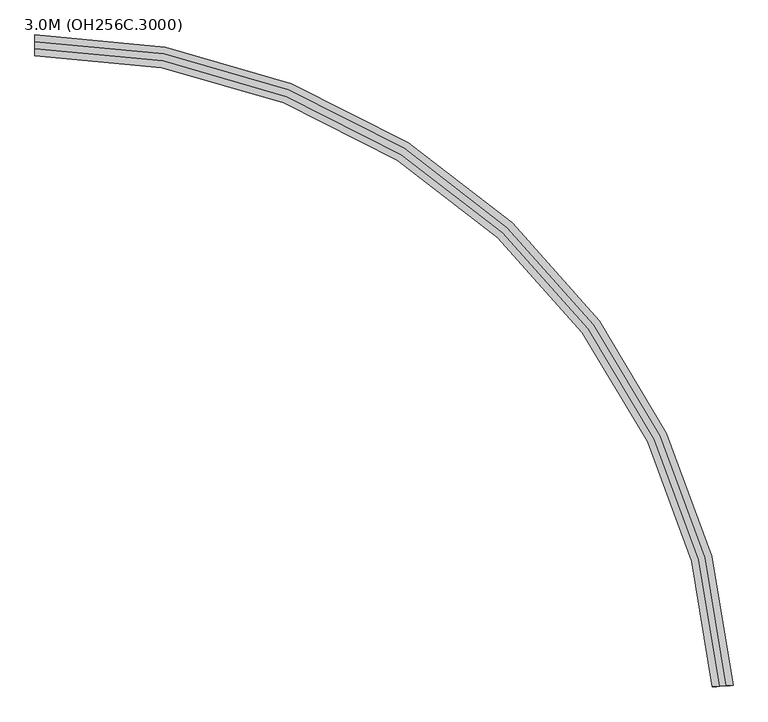
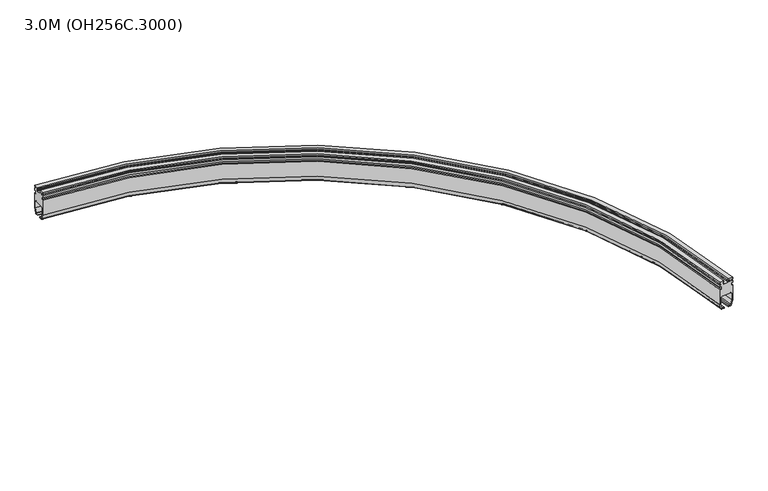
"""IFC4 building model written with IfcOpenShell, lengths in millimetres: proxy geometry, 3.0M (OH256C.3000)."""

import ifcopenshell
import ifcopenshell.guid

model = None  # the IFC model being written
_history = None  # IfcOwnerHistory: only IFC2X3 demands one
_inside = {}  # id of a spatial element -> (the spatial element, [elements in it])
_under = {}  # id of a project, library or spatial element -> (it, [spatial elements below it])
_declared = {}  # id of a project -> (the project, [libraries it declares])
_typed = {}  # id of a type object -> (the type object, [elements of that type])
_made_of = {}  # id of a material, layer set ... -> (it, [elements and type objects made of it])


def new_model(schema):
    """Start an empty IFC model of exactly this schema.

    Asked for "IFC4X3", IfcOpenShell would pick the latest addendum, in which some entities
    have other attributes; the version numbers below select the first issue.
    IFC2X3 requires an IfcOwnerHistory on every rooted entity: one is made here for all.
    """
    global model, _history
    if schema == "IFC4X3":
        model = ifcopenshell.file(schema_version=(4, 3, 0, 0))
    else:
        model = ifcopenshell.file(schema=schema)
    _inside.clear()
    _under.clear()
    _declared.clear()
    _typed.clear()
    _made_of.clear()
    _history = None
    if model.schema == "IFC2X3":
        org = make("IfcOrganization", Name="unknown")
        user = make(
            "IfcPersonAndOrganization",
            ThePerson=make("IfcPerson", FamilyName="unknown"),
            TheOrganization=org,
        )
        app = make(
            "IfcApplication",
            ApplicationDeveloper=org,
            Version="unknown",
            ApplicationFullName="unknown",
            ApplicationIdentifier="unknown",
        )
        _history = make(
            "IfcOwnerHistory",
            OwningUser=user,
            OwningApplication=app,
            ChangeAction="ADDED",
            CreationDate=0,
        )
    return model


def make(cls, **values):
    """One entity of the class cls with the attributes given. An attribute that is None is left unset."""
    return model.create_entity(
        cls, **{name: value for name, value in values.items() if value is not None}
    )


def rooted(cls, **values):
    """An entity with a GlobalId (a new one), such as an element, a storey or a relation."""
    return make(cls, GlobalId=ifcopenshell.guid.new(), OwnerHistory=_history, **values)


def si_unit(unit_type, name, prefix=None):
    """IfcSIUnit, for example si_unit("LENGTHUNIT", "METRE", prefix="MILLI")."""
    return make("IfcSIUnit", UnitType=unit_type, Prefix=prefix, Name=name)


def assignment(units):
    """IfcUnitAssignment: the units of a project."""
    return None if units is None else make("IfcUnitAssignment", Units=units)


def point(xyz):
    """IfcCartesianPoint."""
    return None if xyz is None else make("IfcCartesianPoint", Coordinates=xyz)


def direction(xyz):
    """IfcDirection."""
    return None if xyz is None else make("IfcDirection", DirectionRatios=xyz)


def frame(location, z_axis=None, x_axis=None):
    """IfcAxis2Placement3D, a coordinate frame: its origin and axes. An axis left out is left unset."""
    return make(
        "IfcAxis2Placement3D",
        Location=point(location),
        Axis=direction(z_axis),
        RefDirection=direction(x_axis),
    )


def origin():
    """The frame at (0, 0, 0) with its axes left unset."""
    return frame((0.0, 0.0, 0.0))


def place(relative_to, where):
    """IfcLocalPlacement: puts the frame where relative to a parent placement (None: the world)."""
    return make(
        "IfcLocalPlacement", PlacementRelTo=relative_to, RelativePlacement=where
    )


def context(
    kind, dimensions, precision=None, world=None, true_north=None, identifier=None
):
    """IfcGeometricRepresentationContext, for example the 3D "Model" context."""
    return make(
        "IfcGeometricRepresentationContext",
        ContextIdentifier=identifier,
        ContextType=kind,
        CoordinateSpaceDimension=dimensions,
        Precision=precision,
        WorldCoordinateSystem=world,
        TrueNorth=true_north,
    )


def project(units=None, contexts=None):
    """IfcProject with its units and contexts."""
    return rooted(
        "IfcProject",
        Name="project",
        RepresentationContexts=contexts,
        UnitsInContext=assignment(units),
    )


def spatial(cls, under=None, at=None, **own):
    """A site, building, storey or space (cls), placed at a placement, below another one or the project."""
    s = rooted(cls, ObjectPlacement=at, **own)
    if under is not None:
        _under.setdefault(under.id(), (under, []))[1].append(s)
    return s


def polyline(points):
    """IfcPolyline through the points."""
    return make("IfcPolyline", Points=[point(p) for p in points])


def circle_curve(where, radius):
    """IfcCircle in the frame where."""
    return make("IfcCircle", Position=where, Radius=radius)


def ellipse_curve(where, semi_axis1, semi_axis2):
    """IfcEllipse in the frame where."""
    return make(
        "IfcEllipse", Position=where, SemiAxis1=semi_axis1, SemiAxis2=semi_axis2
    )


def trimmed(basis, trim1, trim2, sense, master):
    """IfcTrimmedCurve: the piece of a basis curve between two trims."""
    return make(
        "IfcTrimmedCurve",
        BasisCurve=basis,
        Trim1=trim1,
        Trim2=trim2,
        SenseAgreement=sense,
        MasterRepresentation=master,
    )


def shape(context_of_items, identifier, shape_type, items):
    """IfcShapeRepresentation: the items that make up one representation, for example the "Body"."""
    return make(
        "IfcShapeRepresentation",
        ContextOfItems=context_of_items,
        RepresentationIdentifier=identifier,
        RepresentationType=shape_type,
        Items=items,
    )


def source(mapping_origin, context_of_items, identifier, shape_type, items):
    """IfcRepresentationMap: a shape defined once, which mapped items show again and again."""
    return make(
        "IfcRepresentationMap",
        MappingOrigin=mapping_origin,
        MappedRepresentation=shape(context_of_items, identifier, shape_type, items),
    )


def transform(
    local_origin,
    x_axis=None,
    y_axis=None,
    z_axis=None,
    scale=None,
    scale2=None,
    scale3=None,
    uniform=True,
):
    """IfcCartesianTransformationOperator3D, or its non-uniform kind. x_axis, y_axis, z_axis: its Axis1, 2, 3."""
    if uniform:
        return make(
            "IfcCartesianTransformationOperator3D",
            Axis1=direction(x_axis),
            Axis2=direction(y_axis),
            LocalOrigin=point(local_origin),
            Scale=scale,
            Axis3=direction(z_axis),
        )
    return make(
        "IfcCartesianTransformationOperator3DnonUniform",
        Axis1=direction(x_axis),
        Axis2=direction(y_axis),
        LocalOrigin=point(local_origin),
        Scale=scale,
        Axis3=direction(z_axis),
        Scale2=scale2,
        Scale3=scale3,
    )


def mapped(mapping_source, mapping_target):
    """IfcMappedItem: shows the shape of a source again, moved by a transform."""
    return make(
        "IfcMappedItem", MappingSource=mapping_source, MappingTarget=mapping_target
    )


def made_of(thing, what):
    """Note that an element or type object is made of a material, layer set ...; save() writes the relation."""
    if what is not None:
        _made_of.setdefault(what.id(), (what, []))[1].append(thing)
    return thing


def element(
    cls,
    number,
    at=None,
    inside=None,
    cuts=None,
    type_object=None,
    material=None,
    context=None,
    identifier="Body",
    shape_type=None,
    held_by="IfcProductDefinitionShape",
    body=None,
    shapes=None,
    **own,
):
    """One element of the class cls, such as IfcWall. Its Tag is "e" and its number.

    at: its placement. inside: the storey or other place that contains it. cuts: it is an
    opening in that element (IfcRelVoidsElement). A single representation is given by context,
    identifier, shape_type and body (its items); several are given by shapes. held_by: the class
    of the entity that holds the representations. save() writes the other relations.
    """
    e = rooted(cls, Tag="e%d" % number, ObjectPlacement=at, **own)
    if body is not None:
        shapes = [shape(context, identifier, shape_type, body)]
    if shapes is not None:
        e.Representation = make(held_by, Representations=shapes)
    if inside is not None:
        _inside.setdefault(inside.id(), (inside, []))[1].append(e)
    if cuts is not None:
        rooted(
            "IfcRelVoidsElement", RelatingBuildingElement=cuts, RelatedOpeningElement=e
        )
    if type_object is not None:
        _typed.setdefault(type_object.id(), (type_object, []))[1].append(e)
    return made_of(e, material)


def aggregate(whole, parts):
    """IfcRelAggregates: a whole, such as a stair, and the parts it consists of."""
    return rooted("IfcRelAggregates", RelatingObject=whole, RelatedObjects=parts)


def save(model, path):
    """Write the relations noted so far, then the file.

    IfcRelAggregates (storeys below a building ...), IfcRelContainedInSpatialStructure (elements
    in a storey), IfcRelDefinesByType, IfcRelAssociatesMaterial and IfcRelDeclares: one each for
    every whole, place, type object, material and project.
    """
    for whole, parts in _under.values():
        aggregate(whole, parts)
    for where, things in _inside.values():
        rooted(
            "IfcRelContainedInSpatialStructure",
            RelatedElements=things,
            RelatingStructure=where,
        )
    for kind, things in _typed.values():
        rooted("IfcRelDefinesByType", RelatedObjects=things, RelatingType=kind)
    for what, things in _made_of.values():
        rooted("IfcRelAssociatesMaterial", RelatedObjects=things, RelatingMaterial=what)
    for by, libraries in _declared.values():
        rooted("IfcRelDeclares", RelatingContext=by, RelatedDefinitions=libraries)
    model.write(path)


def plane_surface(at):
    """IfcPlane: the flat surface through the origin of the frame at, square to its z axis."""
    return make("IfcPlane", Position=at)


def cylinder_surface(at, radius):
    """IfcCylindricalSurface: all points at the distance radius from the z axis of the frame at."""
    return make("IfcCylindricalSurface", Position=at, Radius=radius)


def revolved_surface(curve, axis_point, axis_direction):
    """IfcSurfaceOfRevolution: the curve turned about the line through axis_point along axis_direction."""
    return make(
        "IfcSurfaceOfRevolution",
        SweptCurve=make("IfcArbitraryOpenProfileDef", ProfileType="CURVE", Curve=curve),
        AxisPosition=make("IfcAxis1Placement", Location=point(axis_point), Axis=direction(axis_direction)),
    )


def advanced_brep(points, edges, surfaces, faces):
    """IfcAdvancedBrep: a solid bounded by faces that lie on surfaces and meet in shared edges.

    An edge is (start, end): straight between two places in points (the first is 0);
    or (start, end, curve); or (start, end, curve, False) where it runs against its curve.
    A face is (place in surfaces, loops), or (place, loops, False) where it looks against
    its surface's normal. A loop lists edges by number (the first is 1), with a minus sign
    where the edge is run from its end to its start. The first loop is the outer one.
    """
    corners = [point(p) for p in points]
    vertices = [make("IfcVertexPoint", VertexGeometry=c) for c in corners]
    made = []
    for start, end, *more in edges:
        made.append(
            make(
                "IfcEdgeCurve",
                EdgeStart=vertices[start],
                EdgeEnd=vertices[end],
                EdgeGeometry=more[0] if more else make("IfcPolyline", Points=[corners[start], corners[end]]),
                SameSense=more[1] if len(more) > 1 else True,
            )
        )
    hull = []
    for where, loops, *sense in faces:
        bounds = []
        for j, loop in enumerate(loops):
            ring = [make("IfcOrientedEdge", EdgeElement=made[abs(k) - 1], Orientation=k > 0) for k in loop]
            bounds.append(
                make(
                    "IfcFaceOuterBound" if j == 0 else "IfcFaceBound",
                    Bound=make("IfcEdgeLoop", EdgeList=ring),
                    Orientation=True,
                )
            )
        hull.append(make("IfcAdvancedFace", Bounds=bounds, FaceSurface=surfaces[where], SameSense=sense[0] if sense else True))
    return make("IfcAdvancedBrep", Outer=make("IfcClosedShell", CfsFaces=hull))


def proxy_3_0m_oh256c_3000_7bc1a66d(model_context):
    return source(origin(), model_context, "Body", "AdvancedBrep", [
        advanced_brep(
        [(-413.5740481, 330.0, 94.75), (-413.5740481, 330.0, 25.1), (-413.5740481, 324.2674695, 3.7059048), (-413.5740481, 319.4378403, 0.0), (-413.5740481, 309.025, 0.0), (-413.5740481, 309.025, 4.0), (-413.5740481, 317.9031864, 4.0), (-413.5740481, 320.8009638, 6.2235429), (-413.5740481, 326.0, 25.62661), (-413.5740481, 326.0, 55.0), (-413.5740481, 321.0, 60.0), (-413.5740481, 279.0, 60.0), (-413.5740481, 274.0, 55.0), (-413.5740481, 274.0, 25.62661), (-413.5740481, 279.1990362, 6.2235429), (-413.5740481, 282.0968136, 4.0), (-413.5740481, 290.975, 4.0), (-413.5740481, 290.975, 0.0), (-413.5740481, 280.5621597, 0.0), (-413.5740481, 275.7325305, 3.7059048), (-413.5740481, 270.0, 25.1), (-413.5740481, 270.0, 94.75), (-413.5740481, 277.0, 94.75), (-413.5740481, 277.0, 106.75), (-413.5740481, 270.0, 106.75), (-413.5740481, 270.0, 117.0), (-413.5740481, 276.0, 117.0), (-413.5740481, 276.0, 124.0), (-413.5740481, 270.0, 124.0), (-413.5740481, 270.0, 130.0), (-413.5740481, 289.5, 130.0), (-413.5740481, 289.5, 124.0), (-413.5740481, 283.5, 124.0), (-413.5740481, 283.5, 117.0), (-413.5740481, 289.5, 117.0), (-413.5740481, 289.5, 114.0), (-413.5740481, 310.5, 114.0), (-413.5740481, 310.5, 117.0), (-413.5740481, 316.5, 117.0), (-413.5740481, 316.5, 124.0), (-413.5740481, 310.5, 124.0), (-413.5740481, 310.5, 130.0), (-413.5740481, 330.0, 130.0), (-413.5740481, 330.0, 124.0), (-413.5740481, 324.0, 124.0), (-413.5740481, 324.0, 117.0), (-413.5740481, 330.0, 117.0), (-413.5740481, 330.0, 106.75), (-413.5740481, 323.0, 106.75), (-413.5740481, 323.0, 94.75), (1611.3407747, -1556.4034806, 94.75), (1604.3583098, -1556.898641, 94.75), (1604.3583098, -1556.898641, 106.75), (1611.3407747, -1556.4034806, 106.75), (1611.3407747, -1556.4034806, 117.0), (1605.3558048, -1556.8279038, 117.0), (1605.3558048, -1556.8279038, 124.0), (1611.3407747, -1556.4034806, 124.0), (1611.3407747, -1556.4034806, 130.0), (1591.8896225, -1557.782856, 130.0), (1591.8896225, -1557.782856, 124.0), (1597.8745924, -1557.3584328, 124.0), (1597.8745924, -1557.3584328, 117.0), (1591.8896225, -1557.782856, 117.0), (1591.8896225, -1557.782856, 114.0), (1570.9422278, -1559.2683373, 114.0), (1570.9422278, -1559.2683373, 117.0), (1564.9572578, -1559.6927605, 117.0), (1564.9572578, -1559.6927605, 124.0), (1570.9422278, -1559.2683373, 124.0), (1570.9422278, -1559.2683373, 130.0), (1551.4910755, -1560.6477127, 130.0), (1551.4910755, -1560.6477127, 124.0), (1557.4760454, -1560.2232895, 124.0), (1557.4760454, -1560.2232895, 117.0), (1551.4910755, -1560.6477127, 117.0), (1551.4910755, -1560.6477127, 106.75), (1558.4735404, -1560.1525523, 106.75), (1558.4735404, -1560.1525523, 94.75), (1551.4910755, -1560.6477127, 94.75), (1551.4910755, -1560.6477127, 25.1), (1557.209246, -1560.2422095, 3.7059048), (1562.0267768, -1559.9005751, 0.0), (1572.4135329, -1559.1639999, 0.0), (1572.4135329, -1559.1639999, 4.0), (1563.5575865, -1559.792018, 4.0), (1560.667068, -1559.9969986, 6.2235429), (1555.4810555, -1560.3647639, 25.62661), (1555.4810555, -1560.3647639, 55.0), (1560.4685304, -1560.0110779, 60.0), (1602.3633198, -1557.0401154, 60.0), (1607.3507948, -1556.6864294, 55.0), (1607.3507948, -1556.6864294, 25.62661), (1602.1647823, -1557.0541947, 6.2235429), (1599.2742637, -1557.2591754, 4.0), (1590.4183174, -1557.8871934, 4.0), (1590.4183174, -1557.8871934, 0.0), (1600.8050734, -1557.1506182, 0.0), (1605.6226042, -1556.8089838, 3.7059048), (1611.3407747, -1556.4034806, 25.1)],
        [
            (0, 1),
            (1, 2),
            (2, 3, circle_curve(frame((-413.5740481, 319.4378403, 5.0), z_axis=(-1.0000000000000002, 0.0, 0.0), x_axis=(0.0, 0.9659258262890679, -0.2588190451025229)), 5.0)),
            (3, 4),
            (4, 5),
            (5, 6),
            (6, 7, circle_curve(frame((-413.5740481, 317.9031864, 7.0), z_axis=(1.0, 0.0, 0.0), x_axis=(0.0, -0.965925826289071, 0.25881904510251114)), 3.0)),
            (7, 8),
            (8, 9),
            (9, 10, circle_curve(frame((-413.5740481, 321.0, 55.0), z_axis=(1.0, 0.0, 0.0), x_axis=(0.0, 0.0, -1.0)), 5.0)),
            (10, 11),
            (11, 12, circle_curve(frame((-413.5740481, 279.0, 55.0), z_axis=(1.0, 0.0, 0.0), x_axis=(0.0, 1.0, 0.0)), 5.0)),
            (12, 13),
            (13, 14),
            (14, 15, circle_curve(frame((-413.5740481, 282.0968136, 7.0), z_axis=(1.0, 0.0, 0.0), x_axis=(0.0, 0.0, 1.0)), 3.0)),
            (15, 16),
            (16, 17),
            (17, 18),
            (18, 19, circle_curve(frame((-413.5740481, 280.5621597, 5.0), z_axis=(-1.0000000000000002, 0.0, 0.0), x_axis=(0.0, -0.9659258262890696, -0.25881904510251574)), 5.0)),
            (19, 20),
            (20, 21),
            (21, 22),
            (22, 23),
            (23, 24),
            (24, 25),
            (25, 26),
            (26, 27),
            (27, 28),
            (28, 29),
            (29, 30),
            (30, 31),
            (31, 32),
            (32, 33),
            (33, 34),
            (34, 35),
            (35, 36),
            (36, 37),
            (37, 38),
            (38, 39),
            (39, 40),
            (40, 41),
            (41, 42),
            (42, 43),
            (43, 44),
            (44, 45),
            (45, 46),
            (46, 47),
            (47, 48),
            (48, 49),
            (49, 0),
            (50, 51),
            (51, 52),
            (52, 53),
            (53, 54),
            (54, 55),
            (55, 56),
            (56, 57),
            (57, 58),
            (58, 59),
            (59, 60),
            (60, 61),
            (61, 62),
            (62, 63),
            (63, 64),
            (64, 65),
            (65, 66),
            (66, 67),
            (67, 68),
            (68, 69),
            (69, 70),
            (70, 71),
            (71, 72),
            (72, 73),
            (73, 74),
            (74, 75),
            (75, 76),
            (76, 77),
            (77, 78),
            (78, 79),
            (79, 80),
            (80, 81),
            (81, 82, circle_curve(frame((1562.0267768, -1559.9005751, 5.0), z_axis=(0.07073720166770933, -0.9974949866040542, 0.0), x_axis=(-0.9635061691547261, -0.06832688997025868, -0.25881904510251263)), 5.0)),
            (82, 83),
            (83, 84),
            (84, 85),
            (85, 86, circle_curve(frame((1563.5575865, -1559.792018, 7.0), z_axis=(-0.07073720166770928, 0.997494986604054, 0.0), x_axis=(0.0, 0.0, 1.0)), 3.0)),
            (86, 87),
            (87, 88),
            (88, 89, circle_curve(frame((1560.4685304, -1560.0110779, 55.0), z_axis=(-0.07073720166770928, 0.997494986604054, 0.0), x_axis=(0.997494986604054, 0.07073720166770928, 0.0)), 5.0)),
            (89, 90),
            (90, 91, circle_curve(frame((1602.3633198, -1557.0401154, 55.0), z_axis=(-0.07073720166770928, 0.997494986604054, 0.0), x_axis=(0.0, 0.0, -1.0)), 5.0)),
            (91, 92),
            (92, 93),
            (93, 94, circle_curve(frame((1599.2742637, -1557.2591754, 7.0), z_axis=(-0.07073720166770917, 0.997494986604054, 0.0), x_axis=(-0.9635061691547259, -0.06832688997025861, 0.25881904510251424)), 3.0)),
            (94, 95),
            (95, 96),
            (96, 97),
            (97, 98, circle_curve(frame((1600.8050734, -1557.1506182, 5.0), z_axis=(0.07073720166770918, -0.9974949866040542, 0.0), x_axis=(0.9635061691547228, 0.0683268899702584, -0.258819045102526)), 5.0)),
            (98, 99),
            (99, 50),
            (99, 1, circle_curve(frame((-413.5740481, -1700.0, 25.1), z_axis=(0.0, 0.0, 1.0), x_axis=(0.0, 1.0, 0.0)), 2030.0)),
            (0, 50, circle_curve(frame((-413.5740481, -1700.0, 94.75), z_axis=(0.0, 0.0, -1.0), x_axis=(0.0, 1.0, 0.0)), 2030.0)),
            (98, 2, circle_curve(frame((-413.5740481, -1700.0, 3.7059048), z_axis=(0.0, 0.0, 1.0), x_axis=(0.0, 1.0, 0.0)), 2024.2674695)),
            (97, 3, circle_curve(frame((-413.5740481, -1700.0, 0.0), z_axis=(0.0, 0.0, 1.0), x_axis=(0.0, 1.0, 0.0)), 2019.4378403)),
            (96, 4, circle_curve(frame((-413.5740481, -1700.0, 0.0), z_axis=(0.0, 0.0, 1.0), x_axis=(0.0, 1.0, 0.0)), 2009.025)),
            (95, 5, circle_curve(frame((-413.5740481, -1700.0, 4.0), z_axis=(0.0, 0.0, 1.0), x_axis=(0.0, 1.0, 0.0)), 2009.025)),
            (94, 6, circle_curve(frame((-413.5740481, -1700.0, 4.0), z_axis=(0.0, 0.0, 1.0), x_axis=(0.0, 1.0, 0.0)), 2017.9031864)),
            (93, 7, circle_curve(frame((-413.5740481, -1700.0, 6.2235429), z_axis=(0.0, 0.0, 1.0), x_axis=(0.0, 1.0, 0.0)), 2020.8009638)),
            (92, 8, circle_curve(frame((-413.5740481, -1700.0, 25.62661), z_axis=(0.0, 0.0, 1.0), x_axis=(0.0, 1.0, 0.0)), 2026.0)),
            (91, 9, circle_curve(frame((-413.5740481, -1700.0, 55.0), z_axis=(0.0, 0.0, 1.0), x_axis=(0.0, 1.0, 0.0)), 2026.0)),
            (90, 10, circle_curve(frame((-413.5740481, -1700.0, 60.0), z_axis=(0.0, 0.0, 1.0), x_axis=(0.0, 1.0, 0.0)), 2021.0)),
            (89, 11, circle_curve(frame((-413.5740481, -1700.0, 60.0), z_axis=(0.0, 0.0, 1.0), x_axis=(0.0, 1.0, 0.0)), 1979.0)),
            (88, 12, circle_curve(frame((-413.5740481, -1700.0, 55.0), z_axis=(0.0, 0.0, 1.0), x_axis=(0.0, 1.0, 0.0)), 1974.0)),
            (87, 13, circle_curve(frame((-413.5740481, -1700.0, 25.62661), z_axis=(0.0, 0.0, 1.0), x_axis=(0.0, 1.0, 0.0)), 1974.0)),
            (86, 14, circle_curve(frame((-413.5740481, -1700.0, 6.2235429), z_axis=(0.0, 0.0, 1.0), x_axis=(0.0, 1.0, 0.0)), 1979.1990362)),
            (85, 15, circle_curve(frame((-413.5740481, -1700.0, 4.0), z_axis=(0.0, 0.0, 1.0), x_axis=(0.0, 1.0, 0.0)), 1982.0968136)),
            (84, 16, circle_curve(frame((-413.5740481, -1700.0, 4.0), z_axis=(0.0, 0.0, 1.0), x_axis=(0.0, 1.0, 0.0)), 1990.975)),
            (83, 17, circle_curve(frame((-413.5740481, -1700.0, 0.0), z_axis=(0.0, 0.0, 1.0), x_axis=(0.0, 1.0, 0.0)), 1990.975)),
            (82, 18, circle_curve(frame((-413.5740481, -1700.0, 0.0), z_axis=(0.0, 0.0, 1.0), x_axis=(0.0, 1.0, 0.0)), 1980.5621597)),
            (81, 19, circle_curve(frame((-413.5740481, -1700.0, 3.7059048), z_axis=(0.0, 0.0, 1.0), x_axis=(0.0, 1.0, 0.0)), 1975.7325305)),
            (80, 20, circle_curve(frame((-413.5740481, -1700.0, 25.1), z_axis=(0.0, 0.0, 1.0), x_axis=(0.0, 1.0, 0.0)), 1970.0)),
            (79, 21, circle_curve(frame((-413.5740481, -1700.0, 94.75), z_axis=(0.0, 0.0, 1.0), x_axis=(0.0, 1.0, 0.0)), 1970.0)),
            (78, 22, circle_curve(frame((-413.5740481, -1700.0, 94.75), z_axis=(0.0, 0.0, 1.0), x_axis=(0.0, 1.0, 0.0)), 1977.0)),
            (77, 23, circle_curve(frame((-413.5740481, -1700.0, 106.75), z_axis=(0.0, 0.0, 1.0), x_axis=(0.0, 1.0, 0.0)), 1977.0)),
            (76, 24, circle_curve(frame((-413.5740481, -1700.0, 106.75), z_axis=(0.0, 0.0, 1.0), x_axis=(0.0, 1.0, 0.0)), 1970.0)),
            (75, 25, circle_curve(frame((-413.5740481, -1700.0, 117.0), z_axis=(0.0, 0.0, 1.0), x_axis=(0.0, 1.0, 0.0)), 1970.0)),
            (74, 26, circle_curve(frame((-413.5740481, -1700.0, 117.0), z_axis=(0.0, 0.0, 1.0), x_axis=(0.0, 1.0, 0.0)), 1976.0)),
            (73, 27, circle_curve(frame((-413.5740481, -1700.0, 124.0), z_axis=(0.0, 0.0, 1.0), x_axis=(0.0, 1.0, 0.0)), 1976.0)),
            (72, 28, circle_curve(frame((-413.5740481, -1700.0, 124.0), z_axis=(0.0, 0.0, 1.0), x_axis=(0.0, 1.0, 0.0)), 1970.0)),
            (71, 29, circle_curve(frame((-413.5740481, -1700.0, 130.0), z_axis=(0.0, 0.0, 1.0), x_axis=(0.0, 1.0, 0.0)), 1970.0)),
            (70, 30, circle_curve(frame((-413.5740481, -1700.0, 130.0), z_axis=(0.0, 0.0, 1.0), x_axis=(0.0, 1.0, 0.0)), 1989.5)),
            (69, 31, circle_curve(frame((-413.5740481, -1700.0, 124.0), z_axis=(0.0, 0.0, 1.0), x_axis=(0.0, 1.0, 0.0)), 1989.5)),
            (68, 32, circle_curve(frame((-413.5740481, -1700.0, 124.0), z_axis=(0.0, 0.0, 1.0), x_axis=(0.0, 1.0, 0.0)), 1983.5)),
            (67, 33, circle_curve(frame((-413.5740481, -1700.0, 117.0), z_axis=(0.0, 0.0, 1.0), x_axis=(0.0, 1.0, 0.0)), 1983.5)),
            (66, 34, circle_curve(frame((-413.5740481, -1700.0, 117.0), z_axis=(0.0, 0.0, 1.0), x_axis=(0.0, 1.0, 0.0)), 1989.5)),
            (65, 35, circle_curve(frame((-413.5740481, -1700.0, 114.0), z_axis=(0.0, 0.0, 1.0), x_axis=(0.0, 1.0, 0.0)), 1989.5)),
            (64, 36, circle_curve(frame((-413.5740481, -1700.0, 114.0), z_axis=(0.0, 0.0, 1.0), x_axis=(0.0, 1.0, 0.0)), 2010.5)),
            (63, 37, circle_curve(frame((-413.5740481, -1700.0, 117.0), z_axis=(0.0, 0.0, 1.0), x_axis=(0.0, 1.0, 0.0)), 2010.5)),
            (62, 38, circle_curve(frame((-413.5740481, -1700.0, 117.0), z_axis=(0.0, 0.0, 1.0), x_axis=(0.0, 1.0, 0.0)), 2016.5)),
            (61, 39, circle_curve(frame((-413.5740481, -1700.0, 124.0), z_axis=(0.0, 0.0, 1.0), x_axis=(0.0, 1.0, 0.0)), 2016.5)),
            (60, 40, circle_curve(frame((-413.5740481, -1700.0, 124.0), z_axis=(0.0, 0.0, 1.0), x_axis=(0.0, 1.0, 0.0)), 2010.5)),
            (59, 41, circle_curve(frame((-413.5740481, -1700.0, 130.0), z_axis=(0.0, 0.0, 1.0), x_axis=(0.0, 1.0, 0.0)), 2010.5)),
            (58, 42, circle_curve(frame((-413.5740481, -1700.0, 130.0), z_axis=(0.0, 0.0, 1.0), x_axis=(0.0, 1.0, 0.0)), 2030.0)),
            (57, 43, circle_curve(frame((-413.5740481, -1700.0, 124.0), z_axis=(0.0, 0.0, 1.0), x_axis=(0.0, 1.0, 0.0)), 2030.0)),
            (56, 44, circle_curve(frame((-413.5740481, -1700.0, 124.0), z_axis=(0.0, 0.0, 1.0), x_axis=(0.0, 1.0, 0.0)), 2024.0)),
            (55, 45, circle_curve(frame((-413.5740481, -1700.0, 117.0), z_axis=(0.0, 0.0, 1.0), x_axis=(0.0, 1.0, 0.0)), 2024.0)),
            (54, 46, circle_curve(frame((-413.5740481, -1700.0, 117.0), z_axis=(0.0, 0.0, 1.0), x_axis=(0.0, 1.0, 0.0)), 2030.0)),
            (53, 47, circle_curve(frame((-413.5740481, -1700.0, 106.75), z_axis=(0.0, 0.0, 1.0), x_axis=(0.0, 1.0, 0.0)), 2030.0)),
            (52, 48, circle_curve(frame((-413.5740481, -1700.0, 106.75), z_axis=(0.0, 0.0, 1.0), x_axis=(0.0, 1.0, 0.0)), 2023.0)),
            (51, 49, circle_curve(frame((-413.5740481, -1700.0, 94.75), z_axis=(0.0, 0.0, 1.0), x_axis=(0.0, 1.0, 0.0)), 2023.0)),
        ],
        [
            plane_surface(frame((-413.5740481, 300.0, 0.0), z_axis=(-1.0, 0.0, 0.0), x_axis=(0.0, 0.0, 1.0))),
            plane_surface(frame((1581.4159251, -1558.5255967, 0.0), z_axis=(0.0707372016677093, -0.9974949866040541, 0.0), x_axis=(0.0, 0.0, 1.0))),
            cylinder_surface(frame((-413.5740481, -1700.0, 0.0), z_axis=(0.0, 0.0, -1.0), x_axis=(0.0, 1.0, 0.0)), 2030.0),
            revolved_surface(polyline([(-413.5740481, 330.0, 25.1), (-413.5740481, 324.2674695, 3.7059048)]), (-413.5740481, -1700.0, 0.0), (0.0, 0.0, -1.0)),
            revolved_surface(trimmed(ellipse_curve(frame((-413.5740481, 319.4378403, 5.0), z_axis=(-1.0000000000000002, 0.0, 0.0), x_axis=(0.0, 0.9659258262890679, -0.2588190451025229)), 5.0, 5.0), [point((-413.5740481, 324.2674695, 3.7059048))], [point((-413.5740481, 319.4378403, 0.0))], True, "CARTESIAN"), (-413.5740481, -1700.0, 0.0), (0.0, 0.0, -1.0)),
            plane_surface(frame((-413.5740481, -1700.0, 0.0), z_axis=(0.0, 0.0, -1.0), x_axis=(0.0, 1.0, 0.0))),
            revolved_surface(polyline([(-413.5740481, 309.0250000000001, 0.0), (-413.5740481, 309.0250000000001, 4.0)]), (-413.5740481, -1700.0, 0.0), (0.0, 0.0, -1.0)),
            plane_surface(frame((-413.5740481, -1700.0, 4.0), z_axis=(0.0, 0.0, 1.0), x_axis=(0.0, 1.0, 0.0))),
            revolved_surface(trimmed(ellipse_curve(frame((-413.5740481, 317.9031864, 7.0), z_axis=(1.0, 0.0, 0.0), x_axis=(0.0, -0.965925826289071, 0.25881904510251114)), 3.0, 3.0), [point((-413.5740481, 317.9031864, 4.0))], [point((-413.5740481, 320.8009638, 6.2235429))], True, "CARTESIAN"), (-413.5740481, -1700.0, 0.0), (0.0, 0.0, -1.0)),
            revolved_surface(polyline([(-413.5740481, 320.8009638, 6.2235429), (-413.5740481, 326.0, 25.62661)]), (-413.5740481, -1700.0, 0.0), (0.0, 0.0, -1.0)),
            revolved_surface(polyline([(-413.5740481, 326.0, 25.62661), (-413.5740481, 326.0, 55.0)]), (-413.5740481, -1700.0, 0.0), (0.0, 0.0, -1.0)),
            revolved_surface(trimmed(ellipse_curve(frame((-413.5740481, 321.0, 55.0), z_axis=(1.0, 0.0, 0.0), x_axis=(0.0, 0.0, -1.0)), 5.0, 5.0), [point((-413.5740481, 326.0, 55.0))], [point((-413.5740481, 321.0, 60.0))], True, "CARTESIAN"), (-413.5740481, -1700.0, 0.0), (0.0, 0.0, -1.0)),
            plane_surface(frame((-413.5740481, -1700.0, 60.0), z_axis=(0.0, 0.0, -1.0), x_axis=(0.0, 1.0, 0.0))),
            revolved_surface(trimmed(ellipse_curve(frame((-413.5740481, 279.0, 55.0), z_axis=(1.0, 0.0, 0.0), x_axis=(0.0, 1.0, 0.0)), 5.0, 5.0), [point((-413.5740481, 279.0, 60.0))], [point((-413.5740481, 274.0, 55.0))], True, "CARTESIAN"), (-413.5740481, -1700.0, 0.0), (0.0, 0.0, -1.0)),
            cylinder_surface(frame((-413.5740481, -1700.0, 0.0), z_axis=(0.0, 0.0, -1.0), x_axis=(0.0, 1.0, 0.0)), 1974.0),
            revolved_surface(polyline([(-413.5740481, 274.0, 25.62661), (-413.5740481, 279.1990362, 6.2235429)]), (-413.5740481, -1700.0, 0.0), (0.0, 0.0, -1.0)),
            revolved_surface(trimmed(ellipse_curve(frame((-413.5740481, 282.0968136, 7.0), z_axis=(1.0, 0.0, 0.0), x_axis=(0.0, 0.0, 1.0)), 3.0, 3.0), [point((-413.5740481, 279.1990362, 6.2235429))], [point((-413.5740481, 282.0968136, 4.0))], True, "CARTESIAN"), (-413.5740481, -1700.0, 0.0), (0.0, 0.0, -1.0)),
            cylinder_surface(frame((-413.5740481, -1700.0, 0.0), z_axis=(0.0, 0.0, -1.0), x_axis=(0.0, 1.0, 0.0)), 1990.975),
            revolved_surface(trimmed(ellipse_curve(frame((-413.5740481, 280.5621597, 5.0), z_axis=(-1.0000000000000002, 0.0, 0.0), x_axis=(0.0, -0.9659258262890696, -0.25881904510251574)), 5.0, 5.0), [point((-413.5740481, 280.5621597, 0.0))], [point((-413.5740481, 275.7325305, 3.7059048))], True, "CARTESIAN"), (-413.5740481, -1700.0, 0.0), (0.0, 0.0, -1.0)),
            revolved_surface(polyline([(-413.5740481, 275.7325305, 3.7059048), (-413.5740481, 270.0, 25.1)]), (-413.5740481, -1700.0, 0.0), (0.0, 0.0, -1.0)),
            revolved_surface(polyline([(-413.5740481, 270.0, 25.1), (-413.5740481, 270.0, 94.75)]), (-413.5740481, -1700.0, 0.0), (0.0, 0.0, -1.0)),
            plane_surface(frame((-413.5740481, -1700.0, 94.75), z_axis=(0.0, 0.0, 1.0), x_axis=(0.0, 1.0, 0.0))),
            revolved_surface(polyline([(-413.5740481, 277.0, 94.75), (-413.5740481, 277.0, 106.75)]), (-413.5740481, -1700.0, 0.0), (0.0, 0.0, -1.0)),
            plane_surface(frame((-413.5740481, -1700.0, 106.75), z_axis=(0.0, 0.0, -1.0), x_axis=(0.0, 1.0, 0.0))),
            revolved_surface(polyline([(-413.5740481, 270.0, 106.75), (-413.5740481, 270.0, 117.0)]), (-413.5740481, -1700.0, 0.0), (0.0, 0.0, -1.0)),
            plane_surface(frame((-413.5740481, -1700.0, 117.0), z_axis=(0.0, 0.0, 1.0), x_axis=(0.0, 1.0, 0.0))),
            revolved_surface(polyline([(-413.5740481, 276.0, 117.0), (-413.5740481, 276.0, 124.0)]), (-413.5740481, -1700.0, 0.0), (0.0, 0.0, -1.0)),
            plane_surface(frame((-413.5740481, -1700.0, 124.0), z_axis=(0.0, 0.0, -1.0), x_axis=(0.0, 1.0, 0.0))),
            revolved_surface(polyline([(-413.5740481, 270.0, 124.0), (-413.5740481, 270.0, 130.0)]), (-413.5740481, -1700.0, 0.0), (0.0, 0.0, -1.0)),
            plane_surface(frame((-413.5740481, -1700.0, 130.0), z_axis=(0.0, 0.0, 1.0), x_axis=(0.0, 1.0, 0.0))),
            cylinder_surface(frame((-413.5740481, -1700.0, 0.0), z_axis=(0.0, 0.0, -1.0), x_axis=(0.0, 1.0, 0.0)), 1989.5),
            cylinder_surface(frame((-413.5740481, -1700.0, 0.0), z_axis=(0.0, 0.0, -1.0), x_axis=(0.0, 1.0, 0.0)), 1983.5),
            plane_surface(frame((-413.5740481, -1700.0, 114.0), z_axis=(0.0, 0.0, 1.0), x_axis=(0.0, 1.0, 0.0))),
            revolved_surface(polyline([(-413.5740481, 310.5, 114.0), (-413.5740481, 310.5, 117.0)]), (-413.5740481, -1700.0, 0.0), (0.0, 0.0, -1.0)),
            revolved_surface(polyline([(-413.5740481, 316.5, 117.0), (-413.5740481, 316.5, 124.0)]), (-413.5740481, -1700.0, 0.0), (0.0, 0.0, -1.0)),
            revolved_surface(polyline([(-413.5740481, 310.5, 124.0), (-413.5740481, 310.5, 130.0)]), (-413.5740481, -1700.0, 0.0), (0.0, 0.0, -1.0)),
            cylinder_surface(frame((-413.5740481, -1700.0, 0.0), z_axis=(0.0, 0.0, -1.0), x_axis=(0.0, 1.0, 0.0)), 2024.0),
            cylinder_surface(frame((-413.5740481, -1700.0, 0.0), z_axis=(0.0, 0.0, -1.0), x_axis=(0.0, 1.0, 0.0)), 2023.0),
        ],
        [
            (0, [[1, 2, 3, 4, 5, 6, 7, 8, 9, 10, 11, 12, 13, 14, 15, 16, 17, 18, 19, 20, 21, 22, 23, 24, 25, 26, 27, 28, 29, 30, 31, 32, 33, 34, 35, 36, 37, 38, 39, 40, 41, 42, 43, 44, 45, 46, 47, 48, 49, 50]]),
            (1, [[51, 52, 53, 54, 55, 56, 57, 58, 59, 60, 61, 62, 63, 64, 65, 66, 67, 68, 69, 70, 71, 72, 73, 74, 75, 76, 77, 78, 79, 80, 81, 82, 83, 84, 85, 86, 87, 88, 89, 90, 91, 92, 93, 94, 95, 96, 97, 98, 99, 100]]),
            (2, [[101, -1, 102, -100]]),
            (3, [[103, -2, -101, -99]]),
            (4, [[104, -3, -103, -98]]),
            (5, [[105, -4, -104, -97]]),
            (6, [[106, -5, -105, -96]]),
            (7, [[107, -6, -106, -95]]),
            (8, [[108, -7, -107, -94]]),
            (9, [[109, -8, -108, -93]]),
            (10, [[110, -9, -109, -92]]),
            (11, [[111, -10, -110, -91]]),
            (12, [[112, -11, -111, -90]]),
            (13, [[113, -12, -112, -89]]),
            (14, [[114, -13, -113, -88]]),
            (15, [[115, -14, -114, -87]]),
            (16, [[116, -15, -115, -86]]),
            (7, [[117, -16, -116, -85]]),
            (17, [[118, -17, -117, -84]]),
            (5, [[119, -18, -118, -83]]),
            (18, [[120, -19, -119, -82]]),
            (19, [[121, -20, -120, -81]]),
            (20, [[122, -21, -121, -80]]),
            (21, [[123, -22, -122, -79]]),
            (22, [[124, -23, -123, -78]]),
            (23, [[125, -24, -124, -77]]),
            (24, [[126, -25, -125, -76]]),
            (25, [[127, -26, -126, -75]]),
            (26, [[128, -27, -127, -74]]),
            (27, [[129, -28, -128, -73]]),
            (28, [[130, -29, -129, -72]]),
            (29, [[131, -30, -130, -71]]),
            (30, [[132, -31, -131, -70]]),
            (27, [[133, -32, -132, -69]]),
            (31, [[134, -33, -133, -68]]),
            (25, [[135, -34, -134, -67]]),
            (30, [[136, -35, -135, -66]]),
            (32, [[137, -36, -136, -65]]),
            (33, [[138, -37, -137, -64]]),
            (25, [[139, -38, -138, -63]]),
            (34, [[140, -39, -139, -62]]),
            (27, [[141, -40, -140, -61]]),
            (35, [[142, -41, -141, -60]]),
            (29, [[143, -42, -142, -59]]),
            (2, [[144, -43, -143, -58]]),
            (27, [[145, -44, -144, -57]]),
            (36, [[146, -45, -145, -56]]),
            (25, [[147, -46, -146, -55]]),
            (2, [[148, -47, -147, -54]]),
            (23, [[149, -48, -148, -53]]),
            (37, [[150, -49, -149, -52]]),
            (21, [[-102, -50, -150, -51]]),
        ],
    ),
    ])


if __name__ == "__main__":
    model = new_model("IFC4")
    model_context = context("Model", 3, world=origin())
    ifc_project = project(units=[si_unit("LENGTHUNIT", "METRE", prefix="MILLI")], contexts=[model_context])
    site = spatial("IfcSite", under=ifc_project)
    building = spatial("IfcBuilding", under=site)
    placement = place(None, origin())
    proxy_3_0m_oh256c_3000_shape = proxy_3_0m_oh256c_3000_7bc1a66d(model_context)
    element("IfcBuildingElementProxy", 1, Name="3.0M (OH256C.3000)", ObjectType="3.0M (OH256C.3000)", at=placement, inside=building, context=model_context, shape_type="MappedRepresentation", body=[
        mapped(proxy_3_0m_oh256c_3000_shape, transform((0.0, 0.0, 0.0), x_axis=(1.0, 0.0, 0.0), y_axis=(0.0, 1.0, 0.0), z_axis=(0.0, 0.0, 1.0))),
    ])
    save(model, "model.ifc")
